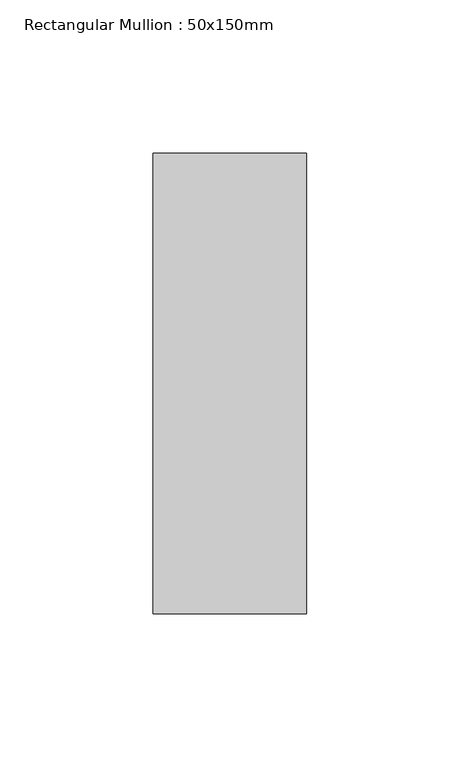
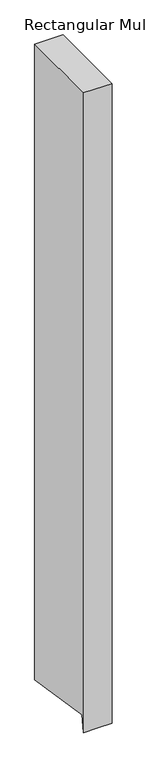
"""IFC4 building model written with IfcOpenShell, lengths in millimetres: member geometry, Rectangular Mullion : 50x150mm."""

from ifc_helpers import new_model, si_unit, origin, place, context, project, spatial, faceted_brep, source, transform, mapped, element, save


def rectangular_mullion_50x150mm_f2aadcea(model_context):
    return source(origin(), model_context, "Body", "Brep", [
        faceted_brep([(25.0, 75.0, 0.0), (-25.0, 75.0, 0.0), (-25.0, -75.0, 0.0), (25.0, -75.0, 0.0), (25.0, 75.0, -1188.0429252), (0.0, 75.0, -1188.0429252), (-25.0, 75.0, -1188.0429252), (-25.0, -70.1657639, -1165.0509269), (-25.0, -75.0, -1195.5730923), (0.0, -75.0, -1195.5730923), (25.0, -75.0, -1195.5730923), (25.0, -70.1657639, -1165.0509269), (0.0, -70.1657639, -1165.0509269)], [[[0, 1, 2, 3]], [[1, 0, 4, 5, 6]], [[2, 1, 6, 7, 8]], [[3, 2, 8, 9, 10]], [[0, 3, 10, 11, 4]], [[4, 11, 12, 5]], [[11, 10, 9, 12]], [[9, 8, 7, 12]], [[7, 6, 5, 12]]]),
    ])


if __name__ == "__main__":
    model = new_model("IFC4")
    model_context = context("Model", 3, world=origin())
    ifc_project = project(units=[si_unit("LENGTHUNIT", "METRE", prefix="MILLI")], contexts=[model_context])
    site = spatial("IfcSite", under=ifc_project)
    building = spatial("IfcBuilding", under=site)
    placement = place(None, origin())
    rectangular_mullion_50x150mm_shape = rectangular_mullion_50x150mm_f2aadcea(model_context)
    element("IfcMember", 1, ObjectType="Rectangular Mullion : 50x150mm", at=placement, inside=building, context=model_context, shape_type="MappedRepresentation", body=[
        mapped(rectangular_mullion_50x150mm_shape, transform((0.0, 0.0, 0.0), x_axis=(1.0, 0.0, 0.0), y_axis=(0.0, 1.0, 0.0), z_axis=(0.0, 0.0, 1.0))),
    ])
    save(model, "model.ifc")
